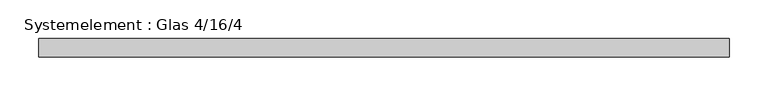
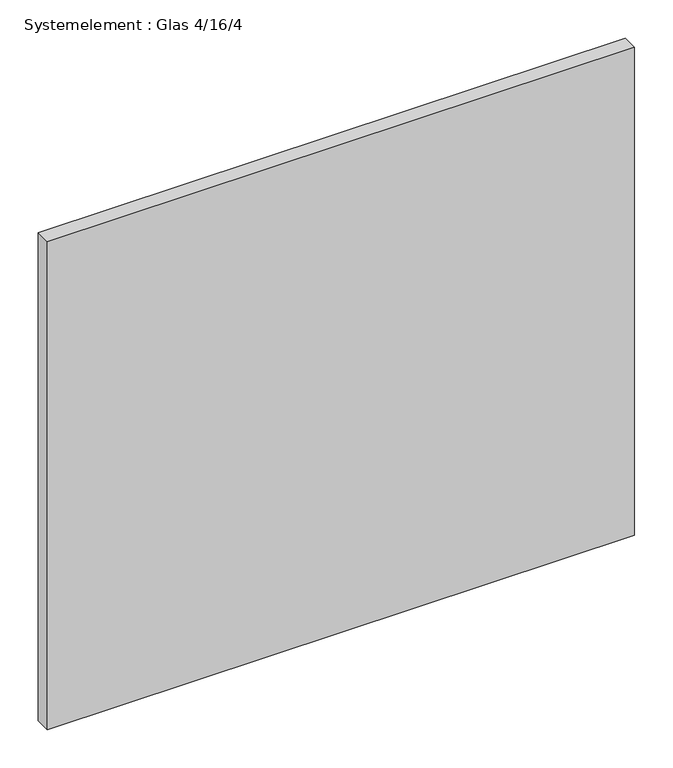
"""IFC4 building model written with IfcOpenShell, lengths in millimetres: plate geometry, Systemelement : Glas 4/16/4."""

from ifc_helpers import new_model, si_unit, origin, origin_with_axes, place, context, project, spatial, polyline, outline, extrude, source, transform, mapped, element, save


def systemelement_glas_4_16_4_374ed7bc(model_context):
    return source(origin(), model_context, "Body", "SweptSolid", [
        extrude(outline(polyline([(444.2857144, -12.0), (-444.2857144, -12.0), (-444.2857144, 12.0), (444.2857144, 12.0), (444.2857144, -12.0)])), origin_with_axes(), (0.0, 0.0, 1.0), 780.0),
    ])


if __name__ == "__main__":
    model = new_model("IFC4")
    model_context = context("Model", 3, world=origin())
    ifc_project = project(units=[si_unit("LENGTHUNIT", "METRE", prefix="MILLI")], contexts=[model_context])
    site = spatial("IfcSite", under=ifc_project)
    building = spatial("IfcBuilding", under=site)
    placement = place(None, origin())
    systemelement_glas_4_16_4_shape = systemelement_glas_4_16_4_374ed7bc(model_context)
    element("IfcPlate", 1, ObjectType="Systemelement : Glas 4/16/4", at=placement, inside=building, context=model_context, shape_type="MappedRepresentation", body=[
        mapped(systemelement_glas_4_16_4_shape, transform((0.0, 0.0, 0.0), x_axis=(1.0, 0.0, 0.0), y_axis=(0.0, 1.0, 0.0), z_axis=(0.0, 0.0, 1.0))),
    ])
    save(model, "model.ifc")
